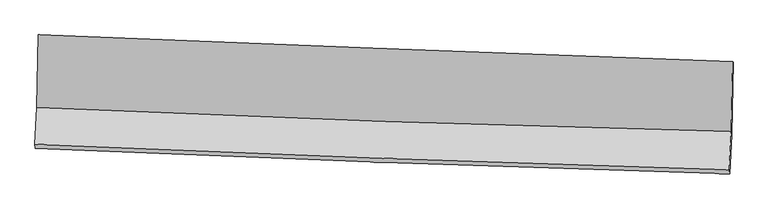
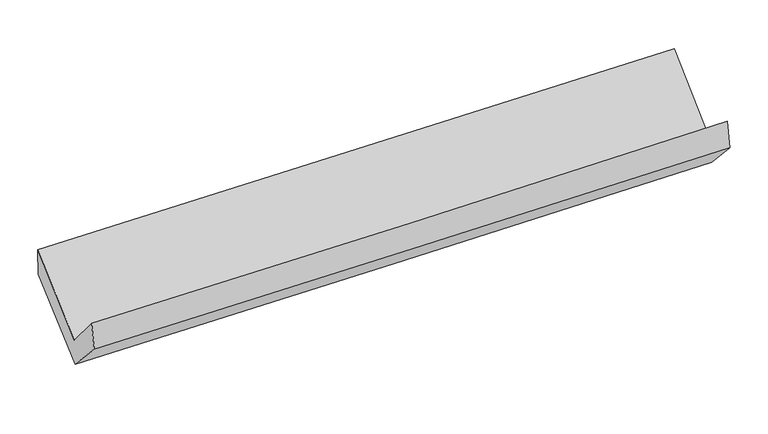
"""IFC4 building model written with IfcOpenShell, lengths in millimetres: proxy geometry."""

from ifc_helpers import new_model, si_unit, frame, origin, place, context, project, spatial, source, transform, mapped, element, save
from ifc_brep_helpers import plane_surface, spline_curve, spline_surface, advanced_brep


def generic_models_ecd895e6(model_context):
    return source(origin(), model_context, "Body", "AdvancedBrep", [
        advanced_brep(
        [(-2404.4378767, -1131.7367142, 2213.7094507), (-2412.3574827, -1635.3226608, 1781.7352707), (2398.2676498, -1803.1104426, 1854.5523393), (2406.7337626, -1317.2536325, 2284.1429688), (-2426.7867101, -1891.8281172, 2081.028198), (2383.4155387, -2069.7189552, 2157.9508224), (-2423.8284922, -1920.6250561, 1885.9172248), (2386.2451714, -2098.5753513, 1956.4065688), (-2408.5848257, -1638.0911173, 1588.7135044), (2400.9671945, -1826.3394587, 1670.035056), (-2400.46567, -1132.5739043, 2013.8926415), (2410.1520104, -1322.7683629, 2093.6296261)],
        [
            (0, 1),
            (1, 2, spline_curve(3, [(-2412.3574827, -1635.3226608, 1781.7352707), (-1610.634299058, -1672.306637002, 1794.184562506), (-808.742784544, -1704.784354994, 1806.479428222), (794.799168856, -1760.707126062, 1830.751562001), (1596.449364931, -1784.158668808, 1842.729052471), (2398.2676498, -1803.1104426, 1854.5523393)], [4, 2, 4], [0.0, 7.900999189144799, 15.796307146912438])),
            (2, 3),
            (3, 0, spline_curve(3, [(2406.7337626, -1317.2536325, 2284.1429688), (1605.056829535, -1289.452140923, 2273.519486128), (803.431825352, -1260.097781624, 2262.340599665), (-800.292129413, -1198.261048499, 2238.863561423), (-1602.391004924, -1165.776434937, 2226.564608407), (-2404.4378767, -1131.7367142, 2213.7094507)], [4, 2, 4], [0.0, 7.895307957767639, 15.796307146912438])),
            (1, 4),
            (4, 5, spline_curve(3, [(-2426.7867101, -1891.8281172, 2081.028198), (-1624.992969666, -1927.126429903, 2092.792490481), (-823.10145515, -1959.604147862, 2105.087356237), (780.299435486, -2018.89703178, 2130.72899517), (1581.808670402, -2045.71625992, 2144.075004225), (2383.4155387, -2069.7189552, 2157.9508224)], [4, 2, 4], [0.0, 7.900088313561232, 15.79448605186532])),
            (5, 2),
            (4, 6),
            (6, 7, spline_curve(3, [(-2423.8284922, -1920.6250561, 1885.9172248), (-1622.106362897, -1955.910353776, 1898.753055839), (-820.261364001, -1988.386524908, 1911.047004381), (783.096700566, -2047.699244588, 1934.542672195), (1584.609589712, -2074.539838443, 1945.745171425), (2386.2451714, -2098.5753513, 1956.4065688)], [4, 2, 4], [0.0, 7.899870372355972, 15.794050326441756])),
            (7, 5),
            (6, 8),
            (8, 9, spline_curve(3, [(-2408.5848257, -1638.0911173, 1588.7135044), (-1606.762453657, -1671.658657102, 1599.742275561), (-804.910853209, -1704.13504788, 1612.036354411), (798.273195471, -1766.882923568, 1639.145360319), (1599.605601809, -1797.155979961, 1653.958465508), (2400.9671945, -1826.3394587, 1670.035056)], [4, 2, 4], [0.0, 7.899683207140846, 15.793676130829965])),
            (9, 7),
            (8, 10),
            (10, 11, spline_curve(3, [(-2400.46567, -1132.5739043, 2013.8926415), (-1598.408077017, -1165.830474987, 2025.193934042), (-796.35003933, -1198.313730314, 2037.492082161), (807.189188225, -1261.710769648, 2064.07251261), (1608.670377259, -1292.625667001, 2078.353359335), (2410.1520104, -1322.7683629, 2093.6296261)], [4, 2, 4], [0.0, 7.9006255125491816, 15.795560062887155])),
            (11, 9),
            (10, 0),
            (3, 11),
        ],
        [
            spline_surface(3, 3, [[(-2404.4378767, -1131.7367142, 2213.7094507), (-1602.391004844, -1165.776434955, 2226.564608306), (-800.292129363, -1198.261048456, 2238.863561368), (803.431825302, -1260.097781666, 2262.34059972), (1605.056829574, -1289.452140972, 2273.519486054), (2406.7337626, -1317.2536325, 2284.1429688)], [(-2407.077745356, -1299.598696391, 2069.718057369), (-1605.138769579, -1334.619835644, 2082.43792639), (-803.109014389, -1367.102150655, 2094.735516984), (800.554273131, -1426.967563149, 2118.477587147), (1602.187674708, -1454.354316898, 2129.92267489), (2403.911724986, -1479.205902547, 2140.946092293)], [(-2409.717614044, -1467.460678609, 1925.726664031), (-1607.886534348, -1503.46323636, 1938.311244468), (-805.925899433, -1535.943252798, 1950.607472603), (797.676720943, -1593.837344576, 1974.614574577), (1599.318519884, -1619.256492783, 1986.325863748), (2401.089687414, -1641.158172553, 1997.749215807)], [(-2412.3574827, -1635.3226608, 1781.7352707), (-1610.634299084, -1672.30663705, 1794.184562552), (-808.742784459, -1704.784354997, 1806.47942822), (794.799168772, -1760.707126059, 1830.751562004), (1596.449365018, -1784.158668709, 1842.729052584), (2398.2676498, -1803.1104426, 1854.5523393)]], [4, 4], [4, 2, 4], [0.0, 2.176922701785023], [0.0, 7.900999189144799, 15.796307146912438]),
            spline_surface(3, 3, [[(-2412.3574827, -1635.3226608, 1781.7352707), (-1610.634299084, -1672.30663705, 1794.184562552), (-808.742784459, -1704.784354997, 1806.47942822), (794.799168772, -1760.707126059, 1830.751562004), (1596.449365018, -1784.158668709, 1842.729052584), (2398.2676498, -1803.1104426, 1854.5523393)], [(-2417.167225182, -1720.824479593, 1881.4995798), (-1615.420522623, -1757.246567981, 1893.720538566), (-813.529007998, -1789.724285928, 1906.015404233), (789.965924289, -1846.770427976, 1930.744039718), (1591.56913346, -1871.344532428, 1943.177703172), (2393.316946095, -1891.979946798, 1955.685167021)], [(-2421.976967618, -1806.326298407, 1981.2638889), (-1620.206746116, -1842.186498933, 1993.25651458), (-818.315231492, -1874.66421688, 2005.551380247), (785.132679851, -1932.833729914, 2030.736517432), (1586.688901917, -1958.530396153, 2043.626353696), (2388.366242405, -1980.849451002, 2056.817994679)], [(-2426.7867101, -1891.8281172, 2081.028198), (-1624.992969655, -1927.126429864, 2092.792490594), (-823.101455031, -1959.604147811, 2105.087356261), (780.299435367, -2018.897031831, 2130.728995146), (1581.808670359, -2045.716259872, 2144.075004283), (2383.4155387, -2069.7189552, 2157.9508224)]], [4, 4], [4, 2, 4], [0.0, 1.2940745895771688], [0.0, 7.900088313561232, 15.79448605186532]),
            spline_surface(3, 3, [[(-2426.7867101, -1891.8281172, 2081.028198), (-1624.992969655, -1927.126429864, 2092.792490594), (-823.101455031, -1959.604147811, 2105.087356261), (780.299435367, -2018.897031831, 2130.728995146), (1581.808670359, -2045.716259872, 2144.075004283), (2383.4155387, -2069.7189552, 2157.9508224)], [(-2425.80063747, -1901.427096848, 2015.991206919), (-1624.030767413, -1936.721071187, 2028.112678987), (-822.154758067, -1969.198273529, 2040.407239021), (781.231857138, -2028.497769399, 2065.333554148), (1582.742310166, -2055.324119389, 2077.965059982), (2384.358749607, -2079.337753882, 2090.769404507)], [(-2424.81456483, -1911.026076452, 1950.954215881), (-1623.06856516, -1946.315712466, 1963.432867424), (-821.20806109, -1978.792399245, 1975.727121722), (782.16427892, -2038.098506965, 1999.938113091), (1583.675949952, -2064.93197896, 2011.855115758), (2385.301960493, -2088.956552618, 2023.587986693)], [(-2423.8284922, -1920.6250561, 1885.9172248), (-1622.106362918, -1955.910353788, 1898.753055817), (-820.261364125, -1988.386524963, 1911.047004482), (783.096700691, -2047.699244533, 1934.542672094), (1584.609589759, -2074.539838477, 1945.745171457), (2386.2451714, -2098.5753513, 1956.4065688)]], [4, 4], [4, 2, 4], [0.0, 0.6471314582803958], [0.0, 7.899870372355972, 15.794050326441756]),
            spline_surface(3, 3, [[(-2423.8284922, -1920.6250561, 1885.9172248), (-1622.106362918, -1955.910353788, 1898.753055817), (-820.261364125, -1988.386524963, 1911.047004482), (783.096700691, -2047.699244533, 1934.542672094), (1584.609589759, -2074.539838477, 1945.745171457), (2386.2451714, -2098.5753513, 1956.4065688)], [(-2418.747270027, -1826.447076493, 1786.849318003), (-1616.991726514, -1861.159788232, 1799.082795722), (-815.144527162, -1893.636032583, 1811.376787764), (788.155532328, -1954.093804207, 1836.076901529), (1589.608260463, -1982.078552333, 1848.482936145), (2391.152512449, -2007.830053767, 1860.949397895)], [(-2413.666047873, -1732.269096907, 1687.781411197), (-1611.877090128, -1766.409222697, 1699.412535618), (-810.027690251, -1798.885540238, 1711.706571049), (793.214363913, -1860.488363916, 1737.611130965), (1594.606931119, -1889.617266189, 1751.220700749), (2396.059853451, -1917.084756233, 1765.492226905)], [(-2408.5848257, -1638.0911173, 1588.7135044), (-1606.762453725, -1671.658657141, 1599.742275524), (-804.910853288, -1704.135047858, 1612.036354331), (798.27319555, -1766.88292359, 1639.1453604), (1599.605601822, -1797.155980045, 1653.958465437), (2400.9671945, -1826.3394587, 1670.035056)]], [4, 4], [4, 2, 4], [0.0, 1.3463043907256655], [0.0, 7.899683207140846, 15.793676130829965]),
            spline_surface(3, 3, [[(-2408.5848257, -1638.0911173, 1588.7135044), (-1606.762453725, -1671.658657141, 1599.742275524), (-804.910853288, -1704.135047858, 1612.036354331), (798.27319555, -1766.88292359, 1639.1453604), (1599.605601822, -1797.155980045, 1653.958465437), (2400.9671945, -1826.3394587, 1670.035056)], [(-2405.878440466, -1469.585379617, 1730.439883443), (-1603.977661459, -1503.049263066, 1741.559495044), (-802.057248627, -1535.527942035, 1753.854930249), (801.245193076, -1598.492205598, 1780.787744439), (1602.627193634, -1628.97920906, 1795.423430067), (2404.028799781, -1658.482426793, 1811.23324601)], [(-2403.172055234, -1301.079641983, 1872.166262457), (-1601.192869197, -1334.43986904, 1883.376714534), (-799.20364393, -1366.920836191, 1895.67350625), (804.217190637, -1430.101487585, 1922.430128563), (1605.648785505, -1460.802437995, 1936.888394767), (2407.090405119, -1490.625394807, 1952.43143609)], [(-2400.46567, -1132.5739043, 2013.8926415), (-1598.408076931, -1165.830474965, 2025.193934053), (-796.350039269, -1198.313730368, 2037.492082168), (807.189188163, -1261.710769594, 2064.072512602), (1608.670377318, -1292.62566701, 2078.353359397), (2410.1520104, -1322.7683629, 2093.6296261)]], [4, 4], [4, 2, 4], [0.0, 2.167320614803193], [0.0, 7.9006255125491816, 15.795560062887155]),
            spline_surface(3, 3, [[(-2400.46567, -1132.5739043, 2013.8926415), (-1598.408076931, -1165.830474965, 2025.193934053), (-796.350039269, -1198.313730368, 2037.492082168), (807.189188163, -1261.710769594, 2064.072512602), (1608.670377318, -1292.62566701, 2078.353359397), (2410.1520104, -1322.7683629, 2093.6296261)], [(-2401.7897389, -1132.294840958, 2080.498244566), (-1599.735719568, -1165.812461652, 2092.317492137), (-797.664069293, -1198.296169722, 2104.615908578), (805.936733884, -1261.173106943, 2130.161874985), (1607.465861418, -1291.567824978, 2143.408734956), (2409.012594482, -1320.930119414, 2157.134073674)], [(-2403.1138078, -1132.015777542, 2147.103847634), (-1601.063362206, -1165.794448267, 2159.441050222), (-798.978099339, -1198.278609102, 2171.739734958), (804.684279582, -1260.635444317, 2196.251237338), (1606.261345474, -1290.509983004, 2208.464110495), (2407.873178518, -1319.091875986, 2220.638521226)], [(-2404.4378767, -1131.7367142, 2213.7094507), (-1602.391004844, -1165.776434955, 2226.564608306), (-800.292129363, -1198.261048456, 2238.863561368), (803.431825302, -1260.097781666, 2262.34059972), (1605.056829574, -1289.452140972, 2273.519486054), (2406.7337626, -1317.2536325, 2284.1429688)]], [4, 4], [4, 2, 4], [0.0, 0.6557077285243578], [0.0, 7.901716594131751, 15.797741440126668]),
            plane_surface(frame((2397.6302212, -1739.6277005, 2002.7862302), z_axis=(0.9992380876594933, -0.03413793260164195, 0.018916810732380284), x_axis=(0.013956485728834211, 0.7651849456640889, 0.6436592386000114))),
            plane_surface(frame((-2412.7435096, -1558.3629283, 1927.4993817), z_axis=(-0.9992593758152837, 0.03287263161655077, -0.020002248269938017), x_axis=(0.0198751407712909, -0.004188923410010925, -0.9997936945690278))),
        ],
        [
            (0, [[1, 2, 3, 4]]),
            (1, [[5, 6, 7, -2]]),
            (2, [[8, 9, 10, -6]]),
            (3, [[11, 12, 13, -9]]),
            (4, [[14, 15, 16, -12]]),
            (5, [[17, -4, 18, -15]]),
            (6, [[-16, -18, -3, -7, -10, -13]]),
            (7, [[-17, -14, -11, -8, -5, -1]]),
        ],
    ),
    ])


if __name__ == "__main__":
    model = new_model("IFC4")
    model_context = context("Model", 3, world=origin())
    ifc_project = project(units=[si_unit("LENGTHUNIT", "METRE", prefix="MILLI")], contexts=[model_context])
    site = spatial("IfcSite", under=ifc_project)
    building = spatial("IfcBuilding", under=site)
    placement = place(None, origin())
    generic_models_shape = generic_models_ecd895e6(model_context)
    element("IfcBuildingElementProxy", 1, Name="Generic Models", at=placement, inside=building, context=model_context, shape_type="MappedRepresentation", body=[
        mapped(generic_models_shape, transform((0.0, 0.0, 0.0), x_axis=(1.0, 0.0, 0.0), y_axis=(0.0, 1.0, 0.0), z_axis=(0.0, 0.0, 1.0))),
    ])
    save(model, "model.ifc")
